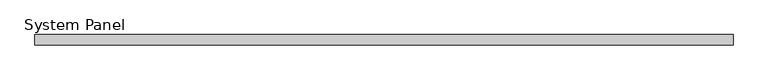
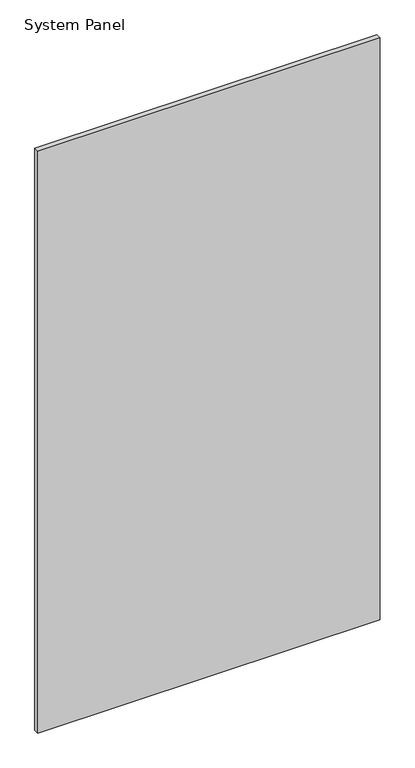
"""IFC4 building model written with IfcOpenShell, lengths in millimetres: plate geometry, System Panel."""

from ifc_helpers import new_model, si_unit, origin, origin_with_axes, place, context, project, spatial, polyline, outline, extrude, source, transform, mapped, element, save


def system_panel_9d613b1c(model_context):
    return source(origin(), model_context, "Body", "SweptSolid", [
        extrude(outline(polyline([(668.2239754, -10.0), (-668.2239754, -10.0), (-668.2239754, 10.0), (668.2239754, 10.0), (668.2239754, -10.0)])), origin_with_axes(), (0.0, 0.0, 1.0), 2400.0),
    ])


if __name__ == "__main__":
    model = new_model("IFC4")
    model_context = context("Model", 3, world=origin())
    ifc_project = project(units=[si_unit("LENGTHUNIT", "METRE", prefix="MILLI")], contexts=[model_context])
    site = spatial("IfcSite", under=ifc_project)
    building = spatial("IfcBuilding", under=site)
    placement = place(None, origin())
    system_panel_shape = system_panel_9d613b1c(model_context)
    element("IfcPlate", 1, ObjectType="System Panel", at=placement, inside=building, context=model_context, shape_type="MappedRepresentation", body=[
        mapped(system_panel_shape, transform((0.0, 0.0, 0.0), x_axis=(1.0, 0.0, 0.0), y_axis=(0.0, 1.0, 0.0), z_axis=(0.0, 0.0, 1.0))),
    ])
    save(model, "model.ifc")
